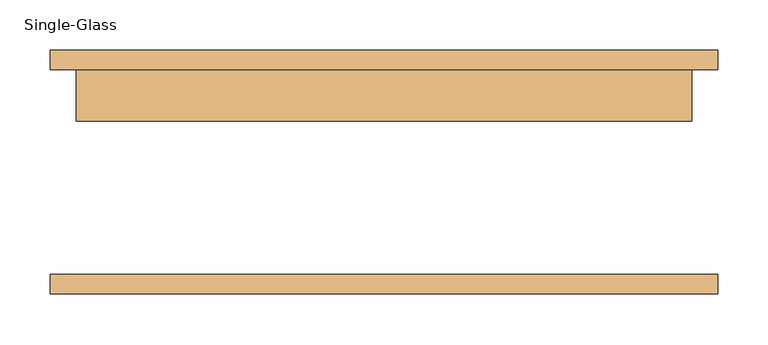
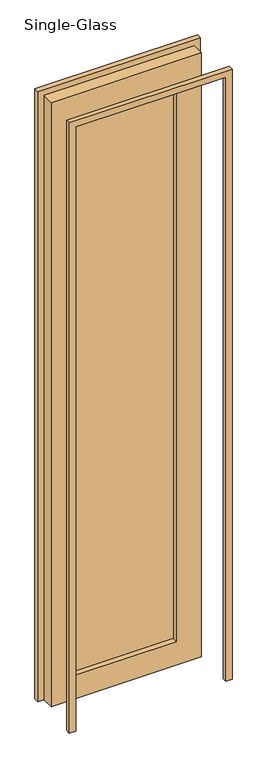
"""IFC4 building model written with IfcOpenShell, lengths in millimetres: door geometry, Single-Glass."""

from ifc_helpers import new_model, si_unit, frame, origin, place, context, project, spatial, polyline, outline, extrude, source, transform, mapped, element, save


def single_glass_240e8bc4(model_context):
    return source(origin(), model_context, "Body", "SweptSolid", [
        extrude(outline(polyline([(2590.8, 304.8), (0.0, 304.8), (0.0, 330.2), (2616.2, 330.2), (2616.2, -330.2), (0.0, -330.2), (0.0, -304.8), (2590.8, -304.8), (2590.8, 304.8)])), frame((0.0, -120.65, 0.0), z_axis=(0.0, 1.0, 0.0), x_axis=(0.0, 0.0, 1.0)), (0.0, 0.0, 1.0), 19.05),
        extrude(outline(polyline([(2590.8, 304.8), (0.0, 304.8), (0.0, 330.2), (2616.2, 330.2), (2616.2, -330.2), (0.0, -330.2), (0.0, -304.8), (2590.8, -304.8), (2590.8, 304.8)])), frame((0.0, 101.6, 0.0), z_axis=(0.0, 1.0, 0.0), x_axis=(0.0, 0.0, 1.0)), (0.0, 0.0, 1.0), 19.05),
        extrude(outline(polyline([(203.2, 73.025), (-203.2, 73.025), (-203.2, 79.375), (203.2, 79.375), (203.2, 73.025)])), frame((0.0, 0.0, 101.6), z_axis=(0.0, 0.0, 1.0), x_axis=(1.0, 0.0, 0.0)), (0.0, 0.0, 1.0), 2387.6),
        extrude(outline(polyline([(2590.8, 304.8), (2590.8, -304.8), (0.0, -304.8), (0.0, 304.8), (2590.8, 304.8)]), holes=[polyline([(2489.2, -203.2), (2489.2, 203.2), (101.6, 203.2), (101.6, -203.2), (2489.2, -203.2)])]), frame((0.0, 50.8, 0.0), z_axis=(0.0, 1.0, 0.0), x_axis=(0.0, 0.0, 1.0)), (0.0, 0.0, 1.0), 50.8),
    ])


if __name__ == "__main__":
    model = new_model("IFC4")
    model_context = context("Model", 3, world=origin())
    ifc_project = project(units=[si_unit("LENGTHUNIT", "METRE", prefix="MILLI")], contexts=[model_context])
    site = spatial("IfcSite", under=ifc_project)
    building = spatial("IfcBuilding", under=site)
    placement = place(None, origin())
    single_glass_shape = single_glass_240e8bc4(model_context)
    element("IfcDoor", 1, ObjectType="Single-Glass", at=placement, inside=building, context=model_context, shape_type="MappedRepresentation", body=[
        mapped(single_glass_shape, transform((0.0, 0.0, 0.0), x_axis=(1.0, 0.0, 0.0), y_axis=(0.0, 1.0, 0.0), z_axis=(0.0, 0.0, 1.0))),
    ])
    save(model, "model.ifc")
